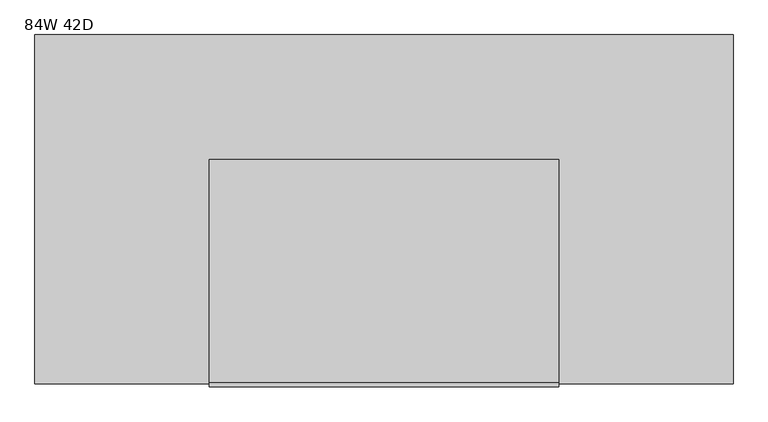
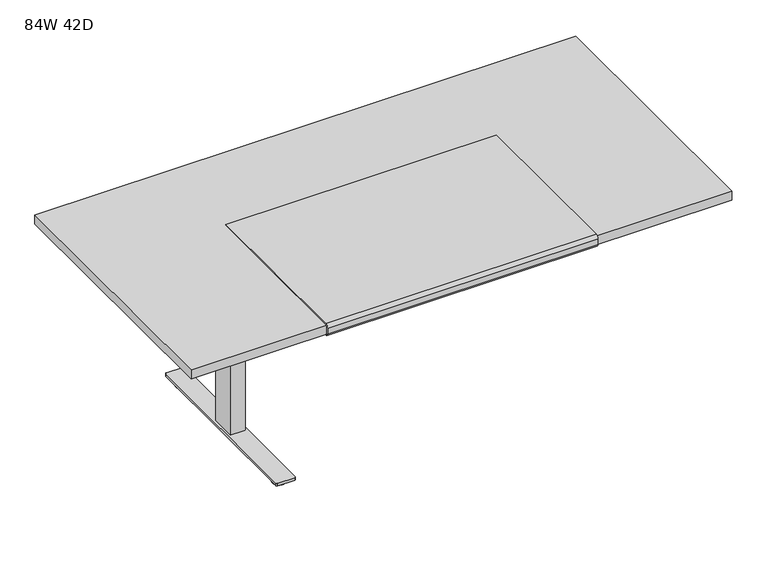
"""IFC4 building model written with IfcOpenShell, lengths in millimetres: furniture geometry, 84W 42D."""

from ifc_helpers import new_model, si_unit, point, frame, frame_2d, origin, origin_with_axes, place, context, project, spatial, polyline, circle_curve, trimmed, segment, composite_curve, outline, extrude, source, transform, mapped, element, save


def furniture_84w_42d_7cfc313e(model_context):
    return source(origin(), model_context, "Body", "SweptSolid", [
        extrude(outline(composite_curve([segment(polyline([(-1076.1981828, 711.2566341), (-1076.1981828, 706.2597008)]), True, "CONTINUOUS"), segment(trimmed(circle_curve(frame_2d((-1076.1981828, 718.9597008)), 12.7), [point((-1076.1981828, 706.2597008))], [point((-1088.8981828, 718.9597008))], False, "CARTESIAN"), True, "CONTINUOUS"), segment(polyline([(-1088.8981828, 718.9597008), (-1088.8981828, 741.3625)]), True, "CONTINUOUS"), segment(trimmed(circle_curve(frame_2d((-1076.1981828, 741.3625)), 12.7), [point((-1088.8981828, 741.3625))], [point((-1076.1981828, 754.0625))], False, "CARTESIAN"), True, "CONTINUOUS"), segment(polyline([(-1076.1981828, 754.0625), (-393.5731828, 754.0625), (-393.5731828, 749.3), (-1076.0350132, 749.3)]), True, "CONTINUOUS"), segment(trimmed(circle_curve(frame_2d((-1076.0350132, 741.3625)), 7.9375), [point((-1076.0350132, 749.3))], [point((-1083.9725132, 741.3625))], True, "CARTESIAN"), True, "CONTINUOUS"), segment(polyline([(-1083.9725132, 741.3625), (-1083.9725132, 717.6066341)]), True, "CONTINUOUS"), segment(trimmed(circle_curve(frame_2d((-1077.6225132, 717.6066341)), 6.35), [point((-1083.9725132, 717.6066341))], [point((-1077.6225132, 711.2566341))], True, "CARTESIAN"), True, "CONTINUOUS"), segment(polyline([(-1077.6225132, 711.2566341), (-1076.1981828, 711.2566341)]), True, "CONTINUOUS")], self_intersect=False)), frame((-546.1, 0.0, 0.0), z_axis=(1.0, 0.0, 0.0), x_axis=(0.0, 1.0, 0.0)), (0.0, 0.0, 1.0), 1066.8),
        extrude(outline(polyline([(-806.45, 692.15), (-806.45, 711.2), (-285.75, 711.2), (-285.75, 692.15), (-487.3625, 635.0), (-604.8375, 635.0), (-806.45, 692.15)])), frame((-656.43125, 0.0, 0.0), z_axis=(1.0, 0.0, 0.0), x_axis=(0.0, 1.0, 0.0)), (0.0, 0.0, 1.0), 2.38125),
        extrude(outline(polyline([(-465.93125, -487.3625), (-465.93125, -604.8375), (-654.05, -604.8375), (-654.05, -487.3625), (-465.93125, -487.3625)])), frame((0.0, 0.0, 655.6375), z_axis=(0.0, 0.0, 1.0), x_axis=(1.0, 0.0, 0.0)), (0.0, 0.0, 1.0), 55.5625),
        extrude(outline(polyline([(-590.55, -501.65), (-590.55, -590.55), (-641.35, -590.55), (-641.35, -501.65), (-590.55, -501.65)])), frame((0.0, 0.0, 654.05), z_axis=(0.0, 0.0, 1.0), x_axis=(1.0, 0.0, 0.0)), (0.0, 0.0, 1.0), 1.5875),
        extrude(outline(polyline([(-585.9859375, -496.09375), (-585.9859375, -596.10625), (-645.9140625, -596.10625), (-645.9140625, -496.09375), (-585.9859375, -496.09375)])), frame((0.0, 0.0, 31.75), z_axis=(0.0, 0.0, 1.0), x_axis=(1.0, 0.0, 0.0)), (0.0, 0.0, 1.0), 622.3),
        extrude(outline(composite_curve([segment(trimmed(circle_curve(frame_2d((-615.95, -876.3)), 25.4), [point((-641.35, -876.3))], [point((-590.55, -876.3))], False, "CARTESIAN"), True, "CONTINUOUS"), segment(trimmed(circle_curve(frame_2d((-615.95, -876.3)), 25.4), [point((-590.55, -876.3))], [point((-641.35, -876.3))], False, "CARTESIAN"), True, "CONTINUOUS")], self_intersect=False)), origin_with_axes(), (0.0, 0.0, 1.0), 9.525),
        extrude(outline(composite_curve([segment(trimmed(circle_curve(frame_2d((-615.95, -215.9)), 25.4), [point((-641.35, -215.9))], [point((-590.55, -215.9))], False, "CARTESIAN"), True, "CONTINUOUS"), segment(trimmed(circle_curve(frame_2d((-615.95, -215.9)), 25.4), [point((-590.55, -215.9))], [point((-641.35, -215.9))], False, "CARTESIAN"), True, "CONTINUOUS")], self_intersect=False)), origin_with_axes(), (0.0, 0.0, 1.0), 9.525),
        extrude(outline(composite_curve([segment(polyline([(-641.35, -876.3), (-641.35, -215.9)]), True, "CONTINUOUS"), segment(trimmed(circle_curve(frame_2d((-615.95, -215.9)), 25.4), [point((-641.35, -215.9))], [point((-615.95, -190.5))], False, "CARTESIAN"), True, "CONTINUOUS"), segment(trimmed(circle_curve(frame_2d((-615.95, -215.9)), 25.4), [point((-615.95, -190.5))], [point((-590.55, -215.9))], False, "CARTESIAN"), True, "CONTINUOUS"), segment(polyline([(-590.55, -215.9), (-590.55, -876.3)]), True, "CONTINUOUS"), segment(trimmed(circle_curve(frame_2d((-615.95, -876.3)), 25.4), [point((-590.55, -876.3))], [point((-615.95, -901.7))], False, "CARTESIAN"), True, "CONTINUOUS"), segment(trimmed(circle_curve(frame_2d((-615.95, -876.3)), 25.4), [point((-615.95, -901.7))], [point((-641.35, -876.3))], False, "CARTESIAN"), True, "CONTINUOUS")], self_intersect=False)), frame((0.0, 0.0, 9.525), z_axis=(0.0, 0.0, 1.0), x_axis=(1.0, 0.0, 0.0)), (0.0, 0.0, 1.0), 12.7),
        extrude(outline(composite_curve([segment(trimmed(circle_curve(frame_2d((-582.6125, -169.8625)), 4.7625), [point((-582.6125, -165.1))], [point((-577.85, -169.8625))], False, "CARTESIAN"), True, "CONTINUOUS"), segment(polyline([(-577.85, -169.8625), (-577.85, -922.3375)]), True, "CONTINUOUS"), segment(trimmed(circle_curve(frame_2d((-582.6125, -922.3375)), 4.7625), [point((-577.85, -922.3375))], [point((-582.6125, -927.1))], False, "CARTESIAN"), True, "CONTINUOUS"), segment(polyline([(-582.6125, -927.1), (-649.2875, -927.1)]), True, "CONTINUOUS"), segment(trimmed(circle_curve(frame_2d((-649.2875, -922.3375)), 4.7625), [point((-649.2875, -927.1))], [point((-654.05, -922.3375))], False, "CARTESIAN"), True, "CONTINUOUS"), segment(polyline([(-654.05, -922.3375), (-654.05, -169.8625)]), True, "CONTINUOUS"), segment(trimmed(circle_curve(frame_2d((-649.2875, -169.8625)), 4.7625), [point((-654.05, -169.8625))], [point((-649.2875, -165.1))], False, "CARTESIAN"), True, "CONTINUOUS"), segment(polyline([(-649.2875, -165.1), (-582.6125, -165.1)]), True, "CONTINUOUS")], self_intersect=False)), frame((0.0, 0.0, 22.225), z_axis=(0.0, 0.0, 1.0), x_axis=(1.0, 0.0, 0.0)), (0.0, 0.0, 1.0), 9.525),
        extrude(outline(polyline([(822.325, -292.1), (822.325, -800.1), (746.125, -800.1), (746.125, -292.1), (822.325, -292.1)])), frame((0.0, 0.0, 590.55), z_axis=(0.0, 0.0, 1.0), x_axis=(1.0, 0.0, 0.0)), (0.0, 0.0, 1.0), 120.65),
        extrude(outline(polyline([(1054.1, -12.7), (1054.1, -1079.5), (-1079.5, -1079.5), (-1079.5, -12.7), (1054.1, -12.7)])), frame((0.0, 0.0, 711.2), z_axis=(0.0, 0.0, 1.0), x_axis=(1.0, 0.0, 0.0)), (0.0, 0.0, 1.0), 38.1),
    ])


if __name__ == "__main__":
    model = new_model("IFC4")
    model_context = context("Model", 3, world=origin())
    ifc_project = project(units=[si_unit("LENGTHUNIT", "METRE", prefix="MILLI")], contexts=[model_context])
    site = spatial("IfcSite", under=ifc_project)
    building = spatial("IfcBuilding", under=site)
    placement = place(None, origin())
    furniture_84w_42d_shape = furniture_84w_42d_7cfc313e(model_context)
    element("IfcFurniture", 1, ObjectType="84W 42D", at=placement, inside=building, context=model_context, shape_type="MappedRepresentation", body=[
        mapped(furniture_84w_42d_shape, transform((0.0, 0.0, 0.0), x_axis=(1.0, 0.0, 0.0), y_axis=(0.0, 1.0, 0.0), z_axis=(0.0, 0.0, 1.0))),
    ])
    save(model, "model.ifc")
